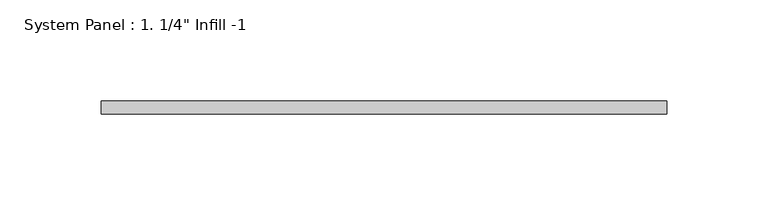
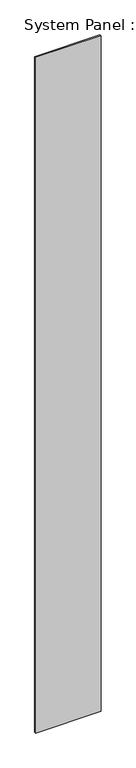
"""IFC4 building model written with IfcOpenShell, lengths in millimetres: plate geometry."""

import ifcopenshell
import ifcopenshell.guid

model = None  # the IFC model being written
_history = None  # IfcOwnerHistory: only IFC2X3 demands one
_inside = {}  # id of a spatial element -> (the spatial element, [elements in it])
_under = {}  # id of a project, library or spatial element -> (it, [spatial elements below it])
_declared = {}  # id of a project -> (the project, [libraries it declares])
_typed = {}  # id of a type object -> (the type object, [elements of that type])
_made_of = {}  # id of a material, layer set ... -> (it, [elements and type objects made of it])


def new_model(schema):
    """Start an empty IFC model of exactly this schema.

    Asked for "IFC4X3", IfcOpenShell would pick the latest addendum, in which some entities
    have other attributes; the version numbers below select the first issue.
    IFC2X3 requires an IfcOwnerHistory on every rooted entity: one is made here for all.
    """
    global model, _history
    if schema == "IFC4X3":
        model = ifcopenshell.file(schema_version=(4, 3, 0, 0))
    else:
        model = ifcopenshell.file(schema=schema)
    _inside.clear()
    _under.clear()
    _declared.clear()
    _typed.clear()
    _made_of.clear()
    _history = None
    if model.schema == "IFC2X3":
        org = make("IfcOrganization", Name="unknown")
        user = make(
            "IfcPersonAndOrganization",
            ThePerson=make("IfcPerson", FamilyName="unknown"),
            TheOrganization=org,
        )
        app = make(
            "IfcApplication",
            ApplicationDeveloper=org,
            Version="unknown",
            ApplicationFullName="unknown",
            ApplicationIdentifier="unknown",
        )
        _history = make(
            "IfcOwnerHistory",
            OwningUser=user,
            OwningApplication=app,
            ChangeAction="ADDED",
            CreationDate=0,
        )
    return model


def make(cls, **values):
    """One entity of the class cls with the attributes given. An attribute that is None is left unset."""
    return model.create_entity(
        cls, **{name: value for name, value in values.items() if value is not None}
    )


def rooted(cls, **values):
    """An entity with a GlobalId (a new one), such as an element, a storey or a relation."""
    return make(cls, GlobalId=ifcopenshell.guid.new(), OwnerHistory=_history, **values)


def si_unit(unit_type, name, prefix=None):
    """IfcSIUnit, for example si_unit("LENGTHUNIT", "METRE", prefix="MILLI")."""
    return make("IfcSIUnit", UnitType=unit_type, Prefix=prefix, Name=name)


def assignment(units):
    """IfcUnitAssignment: the units of a project."""
    return None if units is None else make("IfcUnitAssignment", Units=units)


def point(xyz):
    """IfcCartesianPoint."""
    return None if xyz is None else make("IfcCartesianPoint", Coordinates=xyz)


def direction(xyz):
    """IfcDirection."""
    return None if xyz is None else make("IfcDirection", DirectionRatios=xyz)


def frame(location, z_axis=None, x_axis=None):
    """IfcAxis2Placement3D, a coordinate frame: its origin and axes. An axis left out is left unset."""
    return make(
        "IfcAxis2Placement3D",
        Location=point(location),
        Axis=direction(z_axis),
        RefDirection=direction(x_axis),
    )


def origin():
    """The frame at (0, 0, 0) with its axes left unset."""
    return frame((0.0, 0.0, 0.0))


def origin_with_axes():
    """The frame at (0, 0, 0) with the z axis (0, 0, 1) and the x axis (1, 0, 0) written out."""
    return frame((0.0, 0.0, 0.0), z_axis=(0.0, 0.0, 1.0), x_axis=(1.0, 0.0, 0.0))


def place(relative_to, where):
    """IfcLocalPlacement: puts the frame where relative to a parent placement (None: the world)."""
    return make(
        "IfcLocalPlacement", PlacementRelTo=relative_to, RelativePlacement=where
    )


def context(
    kind, dimensions, precision=None, world=None, true_north=None, identifier=None
):
    """IfcGeometricRepresentationContext, for example the 3D "Model" context."""
    return make(
        "IfcGeometricRepresentationContext",
        ContextIdentifier=identifier,
        ContextType=kind,
        CoordinateSpaceDimension=dimensions,
        Precision=precision,
        WorldCoordinateSystem=world,
        TrueNorth=true_north,
    )


def project(units=None, contexts=None):
    """IfcProject with its units and contexts."""
    return rooted(
        "IfcProject",
        Name="project",
        RepresentationContexts=contexts,
        UnitsInContext=assignment(units),
    )


def spatial(cls, under=None, at=None, **own):
    """A site, building, storey or space (cls), placed at a placement, below another one or the project."""
    s = rooted(cls, ObjectPlacement=at, **own)
    if under is not None:
        _under.setdefault(under.id(), (under, []))[1].append(s)
    return s


def polyline(points):
    """IfcPolyline through the points."""
    return make("IfcPolyline", Points=[point(p) for p in points])


def outline(outer, holes=None, kind="AREA"):
    """IfcArbitraryClosedProfileDef: a profile drawn as a closed curve; with holes, ...WithVoids."""
    if holes is None:
        return make("IfcArbitraryClosedProfileDef", ProfileType=kind, OuterCurve=outer)
    return make(
        "IfcArbitraryProfileDefWithVoids",
        ProfileType=kind,
        OuterCurve=outer,
        InnerCurves=holes,
    )


def extrude(swept, where, along, depth):
    """IfcExtrudedAreaSolid: the profile swept, set in the frame where, extruded along a direction by depth."""
    return make(
        "IfcExtrudedAreaSolid",
        SweptArea=swept,
        Position=where,
        ExtrudedDirection=direction(along),
        Depth=depth,
    )


def shape(context_of_items, identifier, shape_type, items):
    """IfcShapeRepresentation: the items that make up one representation, for example the "Body"."""
    return make(
        "IfcShapeRepresentation",
        ContextOfItems=context_of_items,
        RepresentationIdentifier=identifier,
        RepresentationType=shape_type,
        Items=items,
    )


def source(mapping_origin, context_of_items, identifier, shape_type, items):
    """IfcRepresentationMap: a shape defined once, which mapped items show again and again."""
    return make(
        "IfcRepresentationMap",
        MappingOrigin=mapping_origin,
        MappedRepresentation=shape(context_of_items, identifier, shape_type, items),
    )


def transform(
    local_origin,
    x_axis=None,
    y_axis=None,
    z_axis=None,
    scale=None,
    scale2=None,
    scale3=None,
    uniform=True,
):
    """IfcCartesianTransformationOperator3D, or its non-uniform kind. x_axis, y_axis, z_axis: its Axis1, 2, 3."""
    if uniform:
        return make(
            "IfcCartesianTransformationOperator3D",
            Axis1=direction(x_axis),
            Axis2=direction(y_axis),
            LocalOrigin=point(local_origin),
            Scale=scale,
            Axis3=direction(z_axis),
        )
    return make(
        "IfcCartesianTransformationOperator3DnonUniform",
        Axis1=direction(x_axis),
        Axis2=direction(y_axis),
        LocalOrigin=point(local_origin),
        Scale=scale,
        Axis3=direction(z_axis),
        Scale2=scale2,
        Scale3=scale3,
    )


def mapped(mapping_source, mapping_target):
    """IfcMappedItem: shows the shape of a source again, moved by a transform."""
    return make(
        "IfcMappedItem", MappingSource=mapping_source, MappingTarget=mapping_target
    )


def made_of(thing, what):
    """Note that an element or type object is made of a material, layer set ...; save() writes the relation."""
    if what is not None:
        _made_of.setdefault(what.id(), (what, []))[1].append(thing)
    return thing


def element(
    cls,
    number,
    at=None,
    inside=None,
    cuts=None,
    type_object=None,
    material=None,
    context=None,
    identifier="Body",
    shape_type=None,
    held_by="IfcProductDefinitionShape",
    body=None,
    shapes=None,
    **own,
):
    """One element of the class cls, such as IfcWall. Its Tag is "e" and its number.

    at: its placement. inside: the storey or other place that contains it. cuts: it is an
    opening in that element (IfcRelVoidsElement). A single representation is given by context,
    identifier, shape_type and body (its items); several are given by shapes. held_by: the class
    of the entity that holds the representations. save() writes the other relations.
    """
    e = rooted(cls, Tag="e%d" % number, ObjectPlacement=at, **own)
    if body is not None:
        shapes = [shape(context, identifier, shape_type, body)]
    if shapes is not None:
        e.Representation = make(held_by, Representations=shapes)
    if inside is not None:
        _inside.setdefault(inside.id(), (inside, []))[1].append(e)
    if cuts is not None:
        rooted(
            "IfcRelVoidsElement", RelatingBuildingElement=cuts, RelatedOpeningElement=e
        )
    if type_object is not None:
        _typed.setdefault(type_object.id(), (type_object, []))[1].append(e)
    return made_of(e, material)


def aggregate(whole, parts):
    """IfcRelAggregates: a whole, such as a stair, and the parts it consists of."""
    return rooted("IfcRelAggregates", RelatingObject=whole, RelatedObjects=parts)


def save(model, path):
    """Write the relations noted so far, then the file.

    IfcRelAggregates (storeys below a building ...), IfcRelContainedInSpatialStructure (elements
    in a storey), IfcRelDefinesByType, IfcRelAssociatesMaterial and IfcRelDeclares: one each for
    every whole, place, type object, material and project.
    """
    for whole, parts in _under.values():
        aggregate(whole, parts)
    for where, things in _inside.values():
        rooted(
            "IfcRelContainedInSpatialStructure",
            RelatedElements=things,
            RelatingStructure=where,
        )
    for kind, things in _typed.values():
        rooted("IfcRelDefinesByType", RelatedObjects=things, RelatingType=kind)
    for what, things in _made_of.values():
        rooted("IfcRelAssociatesMaterial", RelatedObjects=things, RelatingMaterial=what)
    for by, libraries in _declared.values():
        rooted("IfcRelDeclares", RelatingContext=by, RelatedDefinitions=libraries)
    model.write(path)


def plate_a744a9dd(model_context):
    return source(origin(), model_context, "Body", "SweptSolid", [
        extrude(outline(polyline([(139.7, 19.05), (-139.7, 19.05), (-139.7, 25.4), (139.7, 25.4), (139.7, 19.05)])), origin_with_axes(), (0.0, 0.0, 1.0), 3048.0),
    ])


if __name__ == "__main__":
    model = new_model("IFC4")
    model_context = context("Model", 3, world=origin())
    ifc_project = project(units=[si_unit("LENGTHUNIT", "METRE", prefix="MILLI")], contexts=[model_context])
    site = spatial("IfcSite", under=ifc_project)
    building = spatial("IfcBuilding", under=site)
    placement = place(None, origin())
    plate_shape = plate_a744a9dd(model_context)
    element("IfcPlate", 1, ObjectType="System Panel : 1. 1/4\" Infill -1", at=placement, inside=building, context=model_context, shape_type="MappedRepresentation", body=[
        mapped(plate_shape, transform((0.0, 0.0, 0.0), x_axis=(1.0, 0.0, 0.0), y_axis=(0.0, 1.0, 0.0), z_axis=(0.0, 0.0, 1.0))),
    ])
    save(model, "model.ifc")
